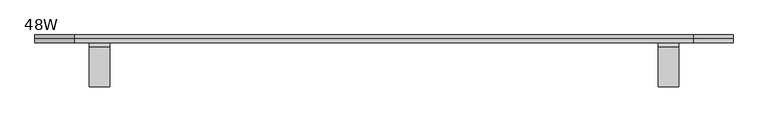
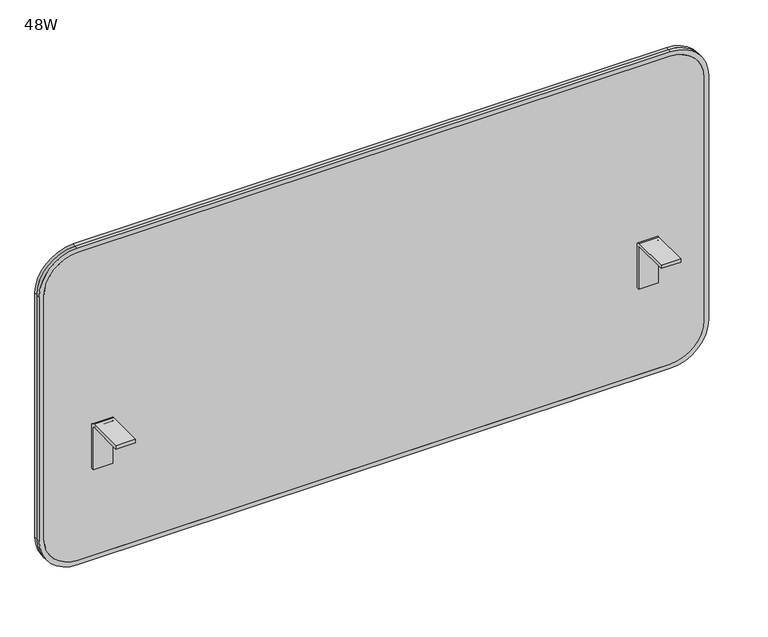
"""IFC4 building model written with IfcOpenShell, lengths in millimetres: furniture geometry, 48W."""

from ifc_helpers import new_model, si_unit, point, frame, frame_2d, origin, place, context, project, spatial, polyline, circle_curve, trimmed, segment, composite_curve, outline, extrude, source, transform, mapped, element, save


def furniture_48w_207f2916(model_context):
    return source(origin(), model_context, "Body", "SweptSolid", [
        extrude(outline(composite_curve([segment(trimmed(circle_curve(frame_2d((1053.0423494, -8.6652966)), 62.1881015), [point((1115.2304508, -8.6652966))], [point((1053.0423494, -70.8533981))], False, "CARTESIAN"), True, "CONTINUOUS"), segment(polyline([(1053.0423494, -70.8533981), (585.0986816, -70.8533981)]), True, "CONTINUOUS"), segment(trimmed(circle_curve(frame_2d((585.0986816, -8.7407165)), 62.1126816), [point((585.0986816, -70.8533981))], [point((522.986, -8.7407165))], False, "CARTESIAN"), True, "CONTINUOUS"), segment(polyline([(522.986, -8.7407165), (522.986, 1068.780049)]), True, "CONTINUOUS"), segment(trimmed(circle_curve(frame_2d((585.2155145, 1068.780049)), 62.2295145), [point((522.986, 1068.780049))], [point((585.2155145, 1131.0095635))], False, "CARTESIAN"), True, "CONTINUOUS"), segment(polyline([(585.2155145, 1131.0095635), (1053.042303, 1131.0095635)]), True, "CONTINUOUS"), segment(trimmed(circle_curve(frame_2d((1053.042303, 1068.8214157)), 62.1881478), [point((1053.042303, 1131.0095635))], [point((1115.2304508, 1068.8214157))], False, "CARTESIAN"), True, "CONTINUOUS"), segment(polyline([(1115.2304508, 1068.8214157), (1115.2304508, -8.6652966)]), True, "CONTINUOUS")], self_intersect=False)), frame((0.0, 5.6449406, 0.0), z_axis=(0.0, 1.0, 0.0), x_axis=(0.0, 0.0, 1.0)), (0.0, 0.0, 1.0), 6.6302155),
        extrude(outline(composite_curve([segment(polyline([(1123.8664508, 1069.8285682), (1123.8664508, -9.6724492)]), True, "CONTINUOUS"), segment(trimmed(circle_curve(frame_2d((1054.0169827, -9.6724492)), 69.8494681), [point((1123.8664508, -9.6724492))], [point((1054.0169827, -79.5219173))], False, "CARTESIAN"), True, "CONTINUOUS"), segment(polyline([(1054.0169827, -79.5219173), (584.2310153, -79.5219173)]), True, "CONTINUOUS"), segment(trimmed(circle_curve(frame_2d((584.2310153, -9.640902)), 69.8810153), [point((584.2310153, -79.5219173))], [point((514.35, -9.640902))], False, "CARTESIAN"), True, "CONTINUOUS"), segment(polyline([(514.35, -9.640902), (514.35, 1069.8285682)]), True, "CONTINUOUS"), segment(trimmed(circle_curve(frame_2d((584.1995145, 1069.8285682)), 69.8495145), [point((514.35, 1069.8285682))], [point((584.1995145, 1139.6780827))], False, "CARTESIAN"), True, "CONTINUOUS"), segment(polyline([(584.1995145, 1139.6780827), (1054.0169364, 1139.6780827)]), True, "CONTINUOUS"), segment(trimmed(circle_curve(frame_2d((1054.0169364, 1069.8285682)), 69.8495145), [point((1054.0169364, 1139.6780827))], [point((1123.8664508, 1069.8285682))], False, "CARTESIAN"), True, "CONTINUOUS")], self_intersect=False), holes=[composite_curve([segment(polyline([(522.986, 1068.780049), (522.986, -8.7407165)]), True, "CONTINUOUS"), segment(trimmed(circle_curve(frame_2d((585.0986816, -8.7407165)), 62.1126816), [point((522.986, -8.7407165))], [point((585.0986816, -70.8533981))], True, "CARTESIAN"), True, "CONTINUOUS"), segment(polyline([(585.0986816, -70.8533981), (1053.0423494, -70.8533981)]), True, "CONTINUOUS"), segment(trimmed(circle_curve(frame_2d((1053.0423494, -8.6652966)), 62.1881015), [point((1053.0423494, -70.8533981))], [point((1115.2304508, -8.6652966))], True, "CARTESIAN"), True, "CONTINUOUS"), segment(polyline([(1115.2304508, -8.6652966), (1115.2304508, 1068.8214157)]), True, "CONTINUOUS"), segment(trimmed(circle_curve(frame_2d((1053.042303, 1068.8214157)), 62.1881478), [point((1115.2304508, 1068.8214157))], [point((1053.042303, 1131.0095635))], True, "CARTESIAN"), True, "CONTINUOUS"), segment(polyline([(1053.042303, 1131.0095635), (585.2155145, 1131.0095635)]), True, "CONTINUOUS"), segment(trimmed(circle_curve(frame_2d((585.2155145, 1068.780049)), 62.2295145), [point((585.2155145, 1131.0095635))], [point((522.986, 1068.780049))], True, "CARTESIAN"), True, "CONTINUOUS")], self_intersect=False)]), frame((0.0, 5.6449406, 0.0), z_axis=(0.0, 1.0, 0.0), x_axis=(0.0, 0.0, 1.0)), (0.0, 0.0, 1.0), 6.6302155),
        extrude(outline(composite_curve([segment(trimmed(circle_curve(frame_2d((1053.0423494, -8.6652966)), 62.1881015), [point((1115.2304508, -8.6652966))], [point((1053.0423494, -70.8533981))], False, "CARTESIAN"), True, "CONTINUOUS"), segment(polyline([(1053.0423494, -70.8533981), (585.0986816, -70.8533981)]), True, "CONTINUOUS"), segment(trimmed(circle_curve(frame_2d((585.0986816, -8.7407165)), 62.1126816), [point((585.0986816, -70.8533981))], [point((522.986, -8.7407165))], False, "CARTESIAN"), True, "CONTINUOUS"), segment(polyline([(522.986, -8.7407165), (522.986, 1068.780049)]), True, "CONTINUOUS"), segment(trimmed(circle_curve(frame_2d((585.2155145, 1068.780049)), 62.2295145), [point((522.986, 1068.780049))], [point((585.2155145, 1131.0095635))], False, "CARTESIAN"), True, "CONTINUOUS"), segment(polyline([(585.2155145, 1131.0095635), (1053.042303, 1131.0095635)]), True, "CONTINUOUS"), segment(trimmed(circle_curve(frame_2d((1053.042303, 1068.8214157)), 62.1881478), [point((1053.042303, 1131.0095635))], [point((1115.2304508, 1068.8214157))], False, "CARTESIAN"), True, "CONTINUOUS"), segment(polyline([(1115.2304508, 1068.8214157), (1115.2304508, -8.6652966)]), True, "CONTINUOUS")], self_intersect=False)), frame((0.0, 12.2751561, 0.0), z_axis=(0.0, 1.0, 0.0), x_axis=(0.0, 0.0, 1.0)), (0.0, 0.0, 1.0), 6.6302155),
        extrude(outline(composite_curve([segment(polyline([(1123.8664508, 1069.8285682), (1123.8664508, -9.5602449)]), True, "CONTINUOUS"), segment(trimmed(circle_curve(frame_2d((1054.0169827, -9.5602449)), 69.8494681), [point((1123.8664508, -9.5602449))], [point((1054.0169827, -79.4097131))], False, "CARTESIAN"), True, "CONTINUOUS"), segment(polyline([(1054.0169827, -79.4097131), (584.2310153, -79.4097131)]), True, "CONTINUOUS"), segment(trimmed(circle_curve(frame_2d((584.2310153, -9.5286978)), 69.8810153), [point((584.2310153, -79.4097131))], [point((514.35, -9.5286978))], False, "CARTESIAN"), True, "CONTINUOUS"), segment(polyline([(514.35, -9.5286978), (514.35, 1069.8285682)]), True, "CONTINUOUS"), segment(trimmed(circle_curve(frame_2d((584.1995145, 1069.8285682)), 69.8495145), [point((514.35, 1069.8285682))], [point((584.1995145, 1139.6780827))], False, "CARTESIAN"), True, "CONTINUOUS"), segment(polyline([(584.1995145, 1139.6780827), (1054.0169364, 1139.6780827)]), True, "CONTINUOUS"), segment(trimmed(circle_curve(frame_2d((1054.0169364, 1069.8285682)), 69.8495145), [point((1054.0169364, 1139.6780827))], [point((1123.8664508, 1069.8285682))], False, "CARTESIAN"), True, "CONTINUOUS")], self_intersect=False), holes=[composite_curve([segment(polyline([(522.986, 1068.780049), (522.986, -8.7407165)]), True, "CONTINUOUS"), segment(trimmed(circle_curve(frame_2d((585.0986816, -8.7407165)), 62.1126816), [point((522.986, -8.7407165))], [point((585.0986816, -70.8533981))], True, "CARTESIAN"), True, "CONTINUOUS"), segment(polyline([(585.0986816, -70.8533981), (1053.0423494, -70.8533981)]), True, "CONTINUOUS"), segment(trimmed(circle_curve(frame_2d((1053.0423494, -8.6652966)), 62.1881015), [point((1053.0423494, -70.8533981))], [point((1115.2304508, -8.6652966))], True, "CARTESIAN"), True, "CONTINUOUS"), segment(polyline([(1115.2304508, -8.6652966), (1115.2304508, 1068.8214157)]), True, "CONTINUOUS"), segment(trimmed(circle_curve(frame_2d((1053.042303, 1068.8214157)), 62.1881478), [point((1115.2304508, 1068.8214157))], [point((1053.042303, 1131.0095635))], True, "CARTESIAN"), True, "CONTINUOUS"), segment(polyline([(1053.042303, 1131.0095635), (585.2155145, 1131.0095635)]), True, "CONTINUOUS"), segment(trimmed(circle_curve(frame_2d((585.2155145, 1068.780049)), 62.2295145), [point((585.2155145, 1131.0095635))], [point((522.986, 1068.780049))], True, "CARTESIAN"), True, "CONTINUOUS")], self_intersect=False)]), frame((0.0, 12.2751561, 0.0), z_axis=(0.0, 1.0, 0.0), x_axis=(0.0, 0.0, 1.0)), (0.0, 0.0, 1.0), 6.6302155),
        extrude(outline(composite_curve([segment(polyline([(-71.3137766, 780.9664508), (-2.6191465, 780.9664508)]), True, "CONTINUOUS"), segment(trimmed(circle_curve(frame_2d((-2.6191465, 772.8090436)), 8.1574072), [point((-2.6191465, 780.9664508))], [point((5.5382607, 772.8090436))], False, "CARTESIAN"), True, "CONTINUOUS"), segment(polyline([(5.5382607, 772.8090436), (5.5382607, 692.0664993), (-0.6843972, 692.0664993), (-0.6843972, 772.7753111)]), True, "CONTINUOUS"), segment(trimmed(circle_curve(frame_2d((-2.6525157, 772.7753111)), 1.9681185), [point((-0.6843972, 772.7753111))], [point((-2.6525157, 774.7434295))], True, "CARTESIAN"), True, "CONTINUOUS"), segment(polyline([(-2.6525157, 774.7434295), (-71.3137766, 774.7434295), (-71.3137766, 780.9664508)]), True, "CONTINUOUS")], self_intersect=False)), frame((1008.8718057, 0.0, 0.0), z_axis=(1.0, 0.0, 0.0), x_axis=(0.0, 1.0, 0.0)), (0.0, 0.0, 1.0), 35.5562769),
        extrude(outline(composite_curve([segment(polyline([(-71.3137766, 780.9664508), (-2.6191465, 780.9664508)]), True, "CONTINUOUS"), segment(trimmed(circle_curve(frame_2d((-2.6191465, 772.8090436)), 8.1574072), [point((-2.6191465, 780.9664508))], [point((5.5382607, 772.8090436))], False, "CARTESIAN"), True, "CONTINUOUS"), segment(polyline([(5.5382607, 772.8090436), (5.5382607, 692.0664993), (-0.6843972, 692.0664993), (-0.6843972, 772.7753111)]), True, "CONTINUOUS"), segment(trimmed(circle_curve(frame_2d((-2.6525157, 772.7753111)), 1.9681185), [point((-0.6843972, 772.7753111))], [point((-2.6525157, 774.7434295))], True, "CARTESIAN"), True, "CONTINUOUS"), segment(polyline([(-2.6525157, 774.7434295), (-71.3137766, 774.7434295), (-71.3137766, 780.9664508)]), True, "CONTINUOUS")], self_intersect=False)), frame((15.7280827, 0.0, 0.0), z_axis=(1.0, 0.0, 0.0), x_axis=(0.0, 1.0, 0.0)), (0.0, 0.0, 1.0), 35.5562769),
    ])


if __name__ == "__main__":
    model = new_model("IFC4")
    model_context = context("Model", 3, world=origin())
    ifc_project = project(units=[si_unit("LENGTHUNIT", "METRE", prefix="MILLI")], contexts=[model_context])
    site = spatial("IfcSite", under=ifc_project)
    building = spatial("IfcBuilding", under=site)
    placement = place(None, origin())
    furniture_48w_shape = furniture_48w_207f2916(model_context)
    element("IfcFurniture", 1, ObjectType="48W", at=placement, inside=building, context=model_context, shape_type="MappedRepresentation", body=[
        mapped(furniture_48w_shape, transform((0.0, 0.0, 0.0), x_axis=(1.0, 0.0, 0.0), y_axis=(0.0, 1.0, 0.0), z_axis=(0.0, 0.0, 1.0))),
    ])
    save(model, "model.ifc")
